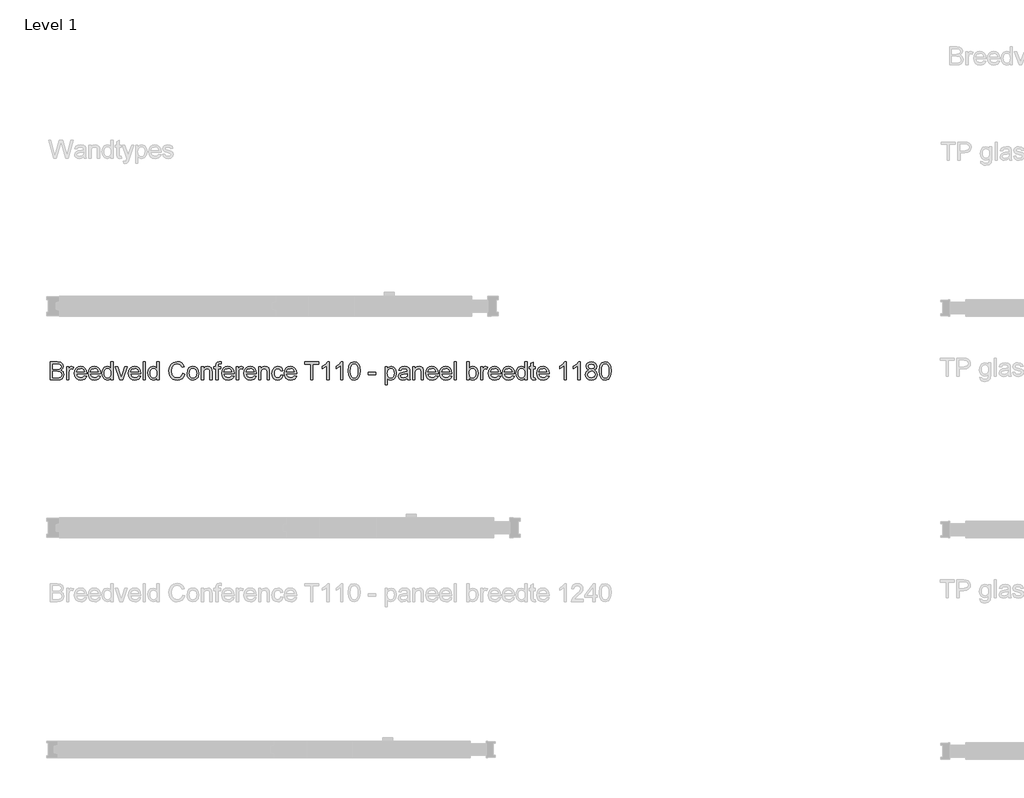
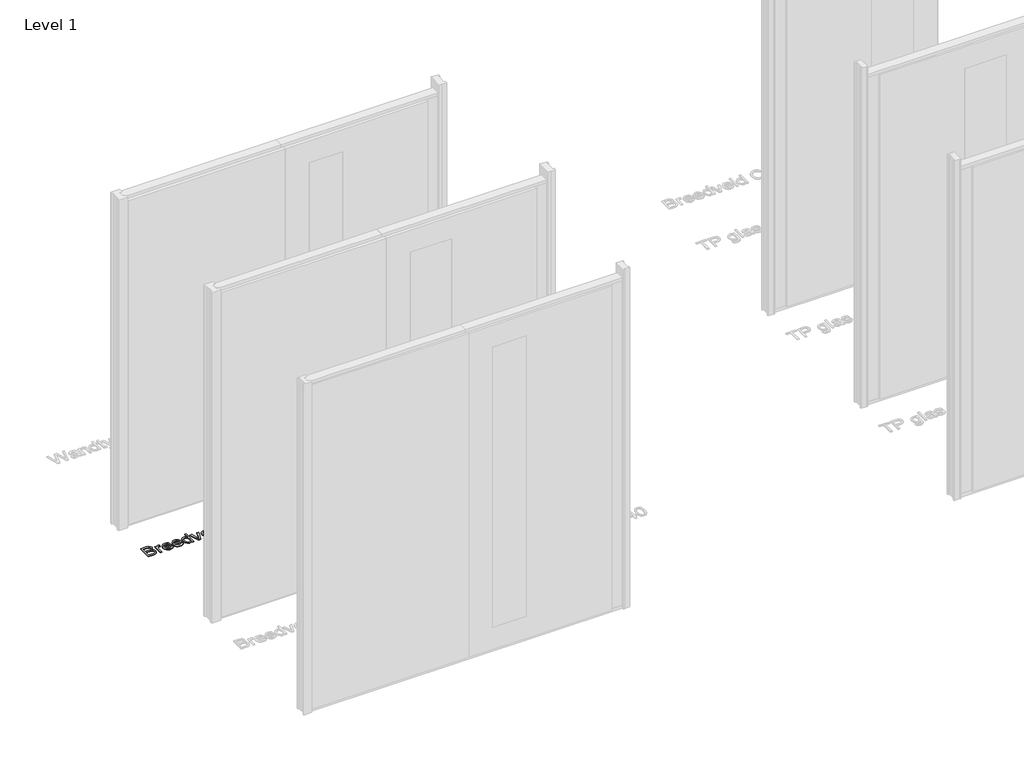
# One storey, part 8 of 17: 1 proxy.
"""IFC4 building model written with IfcOpenShell, lengths in millimetres."""

from ifc_helpers import new_model, si_unit, origin, origin_with_axes, place, context, project, spatial, polyline, outline, extrude, element, save

model = new_model("IFC4")

# Units and contexts
model_context = context("Model", 3, world=origin())
ifc_project = project(units=[si_unit("LENGTHUNIT", "METRE", prefix="MILLI")], contexts=[model_context])

# Site, building, storey
site = spatial("IfcSite", under=ifc_project)
building = spatial("IfcBuilding", under=site)
storey = spatial("IfcBuildingStorey", under=building, Name="Level 1", Elevation=0.0)

# Proxy
placement = place(None, origin())
element("IfcBuildingElementProxy", 1, Name="100 mm", ObjectType="100 mm", at=placement, inside=storey, context=model_context, shape_type="SweptSolid", body=[
    extrude(outline(polyline([(-17380.3580543, 4122.9102169), (-17380.3580543, 4221.3717554), (-17342.7859389, 4221.3717554), (-17324.3844966, 4218.4751207), (-17313.519112, 4209.5688707), (-17309.5888235, 4196.9727169), (-17312.894112, 4185.4703131), (-17322.8820927, 4176.7563707), (-17310.7546889, 4167.5736784), (-17306.5119004, 4152.2611784), (-17309.4085351, 4139.0280054), (-17316.5840158, 4129.6049284), (-17327.2931504, 4124.6049284), (-17343.0744004, 4122.9102169), (-17380.3580543, 4122.9102169)]), holes=[polyline([(-17368.050362, 4135.2179092), (-17342.8099774, 4135.2179092), (-17333.675362, 4135.6986784), (-17325.9469966, 4138.3789669), (-17320.8268043, 4143.8477169), (-17318.8195927, 4152.1409861), (-17321.175362, 4161.7082938), (-17328.8075735, 4167.4174284), (-17344.0119004, 4169.0640631), (-17368.050362, 4169.0640631), (-17368.050362, 4135.2179092)]), polyline([(-17368.050362, 4181.3717554), (-17345.5744004, 4181.3717554), (-17332.4494004, 4182.4294477), (-17324.5527658, 4186.9847361), (-17321.8965158, 4195.0015631), (-17324.3724774, 4203.0304092), (-17331.4638235, 4207.7780054), (-17347.2811312, 4209.0640631), (-17368.050362, 4209.0640631), (-17368.050362, 4181.3717554)])]), origin_with_axes(), (0.0, 0.0, 1.0), 5.0),
    extrude(outline(polyline([(-17291.1272851, 4122.9102169), (-17291.1272851, 4195.2179092), (-17280.3580543, 4195.2179092), (-17280.3580543, 4184.5207938), (-17272.7138235, 4194.3765631), (-17265.0215158, 4196.7563707), (-17252.6657466, 4192.9582938), (-17256.7763235, 4181.92464), (-17265.4301697, 4184.4486784), (-17272.3893043, 4182.0207938), (-17276.8244004, 4175.2900246), (-17278.8195927, 4160.9150246), (-17278.8195927, 4122.9102169), (-17291.1272851, 4122.9102169)])), origin_with_axes(), (0.0, 0.0, 1.0), 5.0),
    extrude(outline(polyline([(-17194.3484389, 4144.4486784), (-17182.2811312, 4142.9102169), (-17186.6290879, 4133.8176688), (-17193.5671889, 4127.0207938), (-17202.9391841, 4122.784015), (-17214.5888235, 4121.3717554), (-17229.0299293, 4123.8086544), (-17240.1417081, 4131.1193515), (-17247.2270447, 4142.8290871), (-17249.5888235, 4158.4631015), (-17247.2030062, 4174.6229573), (-17240.0455543, 4186.7082938), (-17229.0840158, 4194.2443515), (-17215.2859389, 4196.7563707), (-17201.9175495, 4194.2503611), (-17191.2354581, 4186.7323323), (-17184.2312514, 4174.6710342), (-17181.8965158, 4158.5352169), (-17181.9686312, 4155.2179092), (-17237.2811312, 4155.2179092), (-17235.1507226, 4146.0051688), (-17230.2018043, 4139.2323323), (-17214.3484389, 4133.6794477), (-17202.2811312, 4136.2515631), (-17194.3484389, 4144.4486784)]), holes=[polyline([(-17237.2811312, 4167.5256015), (-17194.2042081, 4167.5256015), (-17199.1320927, 4178.6794477), (-17206.3075735, 4183.0063707), (-17215.3340158, 4184.4486784), (-17230.4902658, 4179.8453131), (-17237.2811312, 4167.5256015)])]), origin_with_axes(), (0.0, 0.0, 1.0), 5.0),
    extrude(outline(polyline([(-17118.9638235, 4144.4486784), (-17106.8965158, 4142.9102169), (-17111.2444726, 4133.8176688), (-17118.1825735, 4127.0207938), (-17127.5545687, 4122.784015), (-17139.2042081, 4121.3717554), (-17153.6453139, 4123.8086544), (-17164.7570927, 4131.1193515), (-17171.8424293, 4142.8290871), (-17174.2042081, 4158.4631015), (-17171.8183908, 4174.6229573), (-17164.6609389, 4186.7082938), (-17153.6994004, 4194.2443515), (-17139.9013235, 4196.7563707), (-17126.5329341, 4194.2503611), (-17115.8508427, 4186.7323323), (-17108.846636, 4174.6710342), (-17106.5119004, 4158.5352169), (-17106.5840158, 4155.2179092), (-17161.8965158, 4155.2179092), (-17159.7661072, 4146.0051688), (-17154.8171889, 4139.2323323), (-17138.9638235, 4133.6794477), (-17126.8965158, 4136.2515631), (-17118.9638235, 4144.4486784)]), holes=[polyline([(-17161.8965158, 4167.5256015), (-17118.8195927, 4167.5256015), (-17123.7474774, 4178.6794477), (-17130.9229581, 4183.0063707), (-17139.9494004, 4184.4486784), (-17155.1056504, 4179.8453131), (-17161.8965158, 4167.5256015)])]), origin_with_axes(), (0.0, 0.0, 1.0), 5.0),
    extrude(outline(polyline([(-17049.5888235, 4122.9102169), (-17049.5888235, 4134.5207938), (-17057.7318524, 4124.659015), (-17068.987862, 4121.3717554), (-17084.2282466, 4126.1313707), (-17094.9974774, 4139.4126207), (-17098.8195927, 4158.9919477), (-17095.2979581, 4178.5832938), (-17084.7450735, 4192.0688707), (-17069.0359389, 4196.7563707), (-17057.6897851, 4193.4030054), (-17049.5888235, 4184.6890631), (-17049.5888235, 4221.3717554), (-17037.2811312, 4221.3717554), (-17037.2811312, 4122.9102169), (-17049.5888235, 4122.9102169)]), holes=[polyline([(-17086.5119004, 4159.0400246), (-17085.1236793, 4147.9072121), (-17080.9590158, 4139.9895438), (-17074.9073331, 4135.2569717), (-17067.8580543, 4133.6794477), (-17060.8117802, 4135.1848563), (-17054.9133427, 4139.7010823), (-17050.9199533, 4147.3122602), (-17049.5888235, 4158.1025246), (-17050.9439918, 4169.8993996), (-17055.0094966, 4178.0784861), (-17061.0581745, 4182.8561304), (-17068.362862, 4184.4486784), (-17075.4842562, 4182.9192313), (-17081.3195927, 4178.33089), (-17085.2138235, 4170.4492794), (-17086.5119004, 4159.0400246)])]), origin_with_axes(), (0.0, 0.0, 1.0), 5.0),
    extrude(outline(polyline([(-17001.0792081, 4122.9102169), (-17026.5119004, 4195.2179092), (-17013.4830543, 4195.2179092), (-16998.0744004, 4151.9006015), (-16993.4349774, 4137.3332938), (-16988.8917081, 4151.0832938), (-16973.3869004, 4195.2179092), (-16960.3580543, 4195.2179092), (-16985.4782466, 4122.9102169), (-17001.0792081, 4122.9102169)])), origin_with_axes(), (0.0, 0.0, 1.0), 5.0),
    extrude(outline(polyline([(-16898.9638235, 4144.4486784), (-16886.8965158, 4142.9102169), (-16891.2444726, 4133.8176688), (-16898.1825735, 4127.0207938), (-16907.5545687, 4122.784015), (-16919.2042081, 4121.3717554), (-16933.6453139, 4123.8086544), (-16944.7570927, 4131.1193515), (-16951.8424293, 4142.8290871), (-16954.2042081, 4158.4631015), (-16951.8183908, 4174.6229573), (-16944.6609389, 4186.7082938), (-16933.6994004, 4194.2443515), (-16919.9013235, 4196.7563707), (-16906.5329341, 4194.2503611), (-16895.8508427, 4186.7323323), (-16888.846636, 4174.6710342), (-16886.5119004, 4158.5352169), (-16886.5840158, 4155.2179092), (-16941.8965158, 4155.2179092), (-16939.7661072, 4146.0051688), (-16934.8171889, 4139.2323323), (-16918.9638235, 4133.6794477), (-16906.8965158, 4136.2515631), (-16898.9638235, 4144.4486784)]), holes=[polyline([(-16941.8965158, 4167.5256015), (-16898.8195927, 4167.5256015), (-16903.7474774, 4178.6794477), (-16910.9229581, 4183.0063707), (-16919.9494004, 4184.4486784), (-16935.1056504, 4179.8453131), (-16941.8965158, 4167.5256015)])]), origin_with_axes(), (0.0, 0.0, 1.0), 5.0),
    extrude(outline(polyline([(-16874.2042081, 4122.9102169), (-16874.2042081, 4221.3717554), (-16861.8965158, 4221.3717554), (-16861.8965158, 4122.9102169), (-16874.2042081, 4122.9102169)])), origin_with_axes(), (0.0, 0.0, 1.0), 5.0),
    extrude(outline(polyline([(-16798.8195927, 4122.9102169), (-16798.8195927, 4134.5207938), (-16806.9626216, 4124.659015), (-16818.2186312, 4121.3717554), (-16833.4590158, 4126.1313707), (-16844.2282466, 4139.4126207), (-16848.050362, 4158.9919477), (-16844.5287274, 4178.5832938), (-16833.9758427, 4192.0688707), (-16818.2667081, 4196.7563707), (-16806.9205543, 4193.4030054), (-16798.8195927, 4184.6890631), (-16798.8195927, 4221.3717554), (-16786.5119004, 4221.3717554), (-16786.5119004, 4122.9102169), (-16798.8195927, 4122.9102169)]), holes=[polyline([(-16835.7426697, 4159.0400246), (-16834.3544485, 4147.9072121), (-16830.1897851, 4139.9895438), (-16824.1381024, 4135.2569717), (-16817.0888235, 4133.6794477), (-16810.0425495, 4135.1848563), (-16804.144112, 4139.7010823), (-16800.1507226, 4147.3122602), (-16798.8195927, 4158.1025246), (-16800.174761, 4169.8993996), (-16804.2402658, 4178.0784861), (-16810.2889437, 4182.8561304), (-16817.5936312, 4184.4486784), (-16824.7150254, 4182.9192313), (-16830.550362, 4178.33089), (-16834.4445927, 4170.4492794), (-16835.7426697, 4159.0400246)])]), origin_with_axes(), (0.0, 0.0, 1.0), 5.0),
    extrude(outline(polyline([(-16658.8195927, 4157.9102169), (-16646.5119004, 4154.73714), (-16652.190987, 4140.3951929), (-16661.1032466, 4129.9174284), (-16672.8099774, 4123.5081736), (-16686.8724774, 4121.3717554), (-16701.1483187, 4122.9883419), (-16712.4854581, 4127.8381015), (-16721.175362, 4135.752765), (-16727.5094966, 4146.5640631), (-16732.6657466, 4172.8861784), (-16731.2084149, 4187.2431496), (-16726.8364197, 4199.6409861), (-16719.7781264, 4209.6860582), (-16710.2619004, 4216.9847361), (-16686.6080543, 4222.9102169), (-16673.1134629, 4220.9931496), (-16661.956612, 4215.2419477), (-16653.4860591, 4206.0111784), (-16648.050362, 4193.6554092), (-16660.3580543, 4190.7227169), (-16670.4542081, 4205.8549284), (-16687.0888235, 4210.6025246), (-16706.3436312, 4205.3381015), (-16717.2210351, 4191.2034861), (-16720.3580543, 4172.9102169), (-16716.644112, 4151.7082938), (-16705.081612, 4138.1626207), (-16688.0984389, 4133.6794477), (-16677.8250014, 4135.20589), (-16669.2643043, 4139.7852169), (-16662.8009629, 4147.3693515), (-16658.8195927, 4157.9102169)])), origin_with_axes(), (0.0, 0.0, 1.0), 5.0),
    extrude(outline(polyline([(-16634.2042081, 4159.0640631), (-16631.5419485, 4176.4979573), (-16623.5551697, 4188.7515631), (-16613.6873812, 4194.7551688), (-16601.8724774, 4196.7563707), (-16588.9427899, 4194.3194717), (-16578.6152658, 4187.0087746), (-16571.8454341, 4175.4012025), (-16569.5888235, 4160.0736784), (-16573.5792081, 4138.17464), (-16585.2018043, 4125.7828131), (-16601.8724774, 4121.3717554), (-16614.9584149, 4123.79964), (-16625.2739197, 4131.0832938), (-16631.971636, 4142.9342554), (-16634.2042081, 4159.0640631)]), holes=[polyline([(-16621.8965158, 4159.0881015), (-16620.472237, 4147.9492794), (-16616.1994004, 4140.0135823), (-16609.769112, 4135.2629813), (-16601.8724774, 4133.6794477), (-16594.0119004, 4135.2719957), (-16587.5936312, 4140.04964), (-16583.3207947, 4148.0905054), (-16581.8965158, 4159.4727169), (-16583.3298091, 4170.2870198), (-16587.6296889, 4178.1145438), (-16594.0569726, 4182.8651448), (-16601.8724774, 4184.4486784), (-16609.769112, 4182.8711544), (-16616.1994004, 4178.1385823), (-16620.472237, 4170.220914), (-16621.8965158, 4159.0881015)])]), origin_with_axes(), (0.0, 0.0, 1.0), 5.0),
    extrude(outline(polyline([(-16555.7426697, 4122.9102169), (-16555.7426697, 4195.2179092), (-16543.4349774, 4195.2179092), (-16543.4349774, 4185.1217554), (-16534.0239197, 4193.8477169), (-16521.175362, 4196.7563707), (-16509.5527658, 4194.4126207), (-16501.6200735, 4188.2587746), (-16497.9301697, 4179.2082938), (-16497.2811312, 4167.3092554), (-16497.2811312, 4122.9102169), (-16509.5888235, 4122.9102169), (-16509.5888235, 4165.6506015), (-16511.0070927, 4176.5400246), (-16516.019112, 4182.2972361), (-16524.4686312, 4184.4486784), (-16537.8219966, 4179.6169477), (-16542.0317322, 4172.6157457), (-16543.4349774, 4161.2756015), (-16543.4349774, 4122.9102169), (-16555.7426697, 4122.9102169)])), origin_with_axes(), (0.0, 0.0, 1.0), 5.0),
    extrude(outline(polyline([(-16477.2811312, 4122.9102169), (-16477.2811312, 4182.9102169), (-16488.050362, 4182.9102169), (-16488.050362, 4195.2179092), (-16477.2811312, 4195.2179092), (-16477.2811312, 4202.5015631), (-16475.9830543, 4212.7659861), (-16469.6849774, 4220.0977169), (-16457.2811312, 4222.9102169), (-16446.0551697, 4221.5640631), (-16447.8580543, 4210.0256015), (-16454.9494004, 4210.6025246), (-16462.7018043, 4208.5592554), (-16464.9734389, 4200.9390631), (-16464.9734389, 4195.2179092), (-16451.1272851, 4195.2179092), (-16451.1272851, 4182.9102169), (-16464.9734389, 4182.9102169), (-16464.9734389, 4122.9102169), (-16477.2811312, 4122.9102169)])), origin_with_axes(), (0.0, 0.0, 1.0), 5.0),
    extrude(outline(polyline([(-16389.7330543, 4144.4486784), (-16377.6657466, 4142.9102169), (-16382.0137033, 4133.8176688), (-16388.9518043, 4127.0207938), (-16398.3237995, 4122.784015), (-16409.9734389, 4121.3717554), (-16424.4145447, 4123.8086544), (-16435.5263235, 4131.1193515), (-16442.6116601, 4142.8290871), (-16444.9734389, 4158.4631015), (-16442.5876216, 4174.6229573), (-16435.4301697, 4186.7082938), (-16424.4686312, 4194.2443515), (-16410.6705543, 4196.7563707), (-16397.3021649, 4194.2503611), (-16386.6200735, 4186.7323323), (-16379.6158668, 4174.6710342), (-16377.2811312, 4158.5352169), (-16377.3532466, 4155.2179092), (-16432.6657466, 4155.2179092), (-16430.5353379, 4146.0051688), (-16425.5864197, 4139.2323323), (-16409.7330543, 4133.6794477), (-16397.6657466, 4136.2515631), (-16389.7330543, 4144.4486784)]), holes=[polyline([(-16432.6657466, 4167.5256015), (-16389.5888235, 4167.5256015), (-16394.5167081, 4178.6794477), (-16401.6921889, 4183.0063707), (-16410.7186312, 4184.4486784), (-16425.8748812, 4179.8453131), (-16432.6657466, 4167.5256015)])]), origin_with_axes(), (0.0, 0.0, 1.0), 5.0),
    extrude(outline(polyline([(-16364.9734389, 4122.9102169), (-16364.9734389, 4195.2179092), (-16354.2042081, 4195.2179092), (-16354.2042081, 4184.5207938), (-16346.5599774, 4194.3765631), (-16338.8676697, 4196.7563707), (-16326.5119004, 4192.9582938), (-16330.6224774, 4181.92464), (-16339.2763235, 4184.4486784), (-16346.2354581, 4182.0207938), (-16350.6705543, 4175.2900246), (-16352.6657466, 4160.9150246), (-16352.6657466, 4122.9102169), (-16364.9734389, 4122.9102169)])), origin_with_axes(), (0.0, 0.0, 1.0), 5.0),
    extrude(outline(polyline([(-16268.1945927, 4144.4486784), (-16256.1272851, 4142.9102169), (-16260.4752418, 4133.8176688), (-16267.4133427, 4127.0207938), (-16276.7853379, 4122.784015), (-16288.4349774, 4121.3717554), (-16302.8760831, 4123.8086544), (-16313.987862, 4131.1193515), (-16321.0731985, 4142.8290871), (-16323.4349774, 4158.4631015), (-16321.0491601, 4174.6229573), (-16313.8917081, 4186.7082938), (-16302.9301697, 4194.2443515), (-16289.1320927, 4196.7563707), (-16275.7637033, 4194.2503611), (-16265.081612, 4186.7323323), (-16258.0774052, 4174.6710342), (-16255.7426697, 4158.5352169), (-16255.8147851, 4155.2179092), (-16311.1272851, 4155.2179092), (-16308.9968764, 4146.0051688), (-16304.0479581, 4139.2323323), (-16288.1945927, 4133.6794477), (-16276.1272851, 4136.2515631), (-16268.1945927, 4144.4486784)]), holes=[polyline([(-16311.1272851, 4167.5256015), (-16268.050362, 4167.5256015), (-16272.9782466, 4178.6794477), (-16280.1537274, 4183.0063707), (-16289.1801697, 4184.4486784), (-16304.3364197, 4179.8453131), (-16311.1272851, 4167.5256015)])]), origin_with_axes(), (0.0, 0.0, 1.0), 5.0),
    extrude(outline(polyline([(-16243.4349774, 4122.9102169), (-16243.4349774, 4195.2179092), (-16231.1272851, 4195.2179092), (-16231.1272851, 4185.1217554), (-16221.7162274, 4193.8477169), (-16208.8676697, 4196.7563707), (-16197.2450735, 4194.4126207), (-16189.3123812, 4188.2587746), (-16185.6224774, 4179.2082938), (-16184.9734389, 4167.3092554), (-16184.9734389, 4122.9102169), (-16197.2811312, 4122.9102169), (-16197.2811312, 4165.6506015), (-16198.6994004, 4176.5400246), (-16203.7114197, 4182.2972361), (-16212.1609389, 4184.4486784), (-16225.5143043, 4179.6169477), (-16229.7240399, 4172.6157457), (-16231.1272851, 4161.2756015), (-16231.1272851, 4122.9102169), (-16243.4349774, 4122.9102169)])), origin_with_axes(), (0.0, 0.0, 1.0), 5.0),
    extrude(outline(polyline([(-16121.8965158, 4149.0640631), (-16109.5888235, 4147.5256015), (-16113.0203139, 4136.5790871), (-16119.4686312, 4128.3068515), (-16128.3268043, 4123.1055294), (-16138.987862, 4121.3717554), (-16152.0798091, 4123.7906256), (-16162.3171889, 4131.0472361), (-16168.924761, 4142.8230775), (-16171.1272851, 4158.79964), (-16167.3652658, 4179.2443515), (-16155.8989197, 4192.3813707), (-16139.1561312, 4196.7563707), (-16128.7564918, 4195.2539669), (-16120.4421889, 4190.7467554), (-16114.4776456, 4183.4751207), (-16111.1272851, 4173.6794477), (-16123.4349774, 4172.1409861), (-16129.144112, 4181.3597361), (-16139.0599774, 4184.4486784), (-16147.0137033, 4182.9282457), (-16153.3268043, 4178.3669477), (-16157.4463956, 4170.51839), (-16158.8195927, 4159.1361784), (-16157.4764437, 4147.6007217), (-16153.4469966, 4139.7251207), (-16147.2480783, 4135.1908659), (-16139.3965158, 4133.6794477), (-16127.7979581, 4137.4534861), (-16121.8965158, 4149.0640631)])), origin_with_axes(), (0.0, 0.0, 1.0), 5.0),
    extrude(outline(polyline([(-16048.1945927, 4144.4486784), (-16036.1272851, 4142.9102169), (-16040.4752418, 4133.8176688), (-16047.4133427, 4127.0207938), (-16056.7853379, 4122.784015), (-16068.4349774, 4121.3717554), (-16082.8760831, 4123.8086544), (-16093.987862, 4131.1193515), (-16101.0731985, 4142.8290871), (-16103.4349774, 4158.4631015), (-16101.0491601, 4174.6229573), (-16093.8917081, 4186.7082938), (-16082.9301697, 4194.2443515), (-16069.1320927, 4196.7563707), (-16055.7637033, 4194.2503611), (-16045.081612, 4186.7323323), (-16038.0774052, 4174.6710342), (-16035.7426697, 4158.5352169), (-16035.8147851, 4155.2179092), (-16091.1272851, 4155.2179092), (-16088.9968764, 4146.0051688), (-16084.0479581, 4139.2323323), (-16068.1945927, 4133.6794477), (-16056.1272851, 4136.2515631), (-16048.1945927, 4144.4486784)]), holes=[polyline([(-16091.1272851, 4167.5256015), (-16048.050362, 4167.5256015), (-16052.9782466, 4178.6794477), (-16060.1537274, 4183.0063707), (-16069.1801697, 4184.4486784), (-16084.3364197, 4179.8453131), (-16091.1272851, 4167.5256015)])]), origin_with_axes(), (0.0, 0.0, 1.0), 5.0),
    extrude(outline(polyline([(-15958.8195927, 4122.9102169), (-15958.8195927, 4209.0640631), (-15991.1272851, 4209.0640631), (-15991.1272851, 4221.3717554), (-15914.2042081, 4221.3717554), (-15914.2042081, 4209.0640631), (-15946.5119004, 4209.0640631), (-15946.5119004, 4122.9102169), (-15958.8195927, 4122.9102169)])), origin_with_axes(), (0.0, 0.0, 1.0), 5.0),
    extrude(outline(polyline([(-15858.8195927, 4122.9102169), (-15871.1272851, 4122.9102169), (-15871.1272851, 4199.6409861), (-15882.7859389, 4191.3356977), (-15895.7426697, 4185.1217554), (-15895.7426697, 4196.7563707), (-15877.7018043, 4208.2707938), (-15866.7522851, 4221.3717554), (-15858.8195927, 4221.3717554), (-15858.8195927, 4122.9102169)])), origin_with_axes(), (0.0, 0.0, 1.0), 5.0),
    extrude(outline(polyline([(-15783.4349774, 4122.9102169), (-15795.7426697, 4122.9102169), (-15795.7426697, 4199.6409861), (-15807.4013235, 4191.3356977), (-15820.3580543, 4185.1217554), (-15820.3580543, 4196.7563707), (-15802.3171889, 4208.2707938), (-15791.3676697, 4221.3717554), (-15783.4349774, 4221.3717554), (-15783.4349774, 4122.9102169)])), origin_with_axes(), (0.0, 0.0, 1.0), 5.0),
    extrude(outline(polyline([(-15754.2042081, 4171.3477169), (-15750.5864197, 4199.6770438), (-15739.8412274, 4216.0111784), (-15721.8965158, 4221.3717554), (-15707.5215158, 4218.1986784), (-15697.5936312, 4209.0520438), (-15691.8244004, 4194.4847361), (-15689.5888235, 4171.3477169), (-15693.1705543, 4143.1385823), (-15703.8796889, 4126.76839), (-15721.8965158, 4121.3717554), (-15734.6849774, 4123.7155054), (-15744.3965158, 4130.7467554), (-15751.7522851, 4147.3993996), (-15754.2042081, 4171.3477169)]), holes=[polyline([(-15741.8965158, 4171.3717554), (-15740.4542081, 4152.0117794), (-15736.1272851, 4140.8068515), (-15729.6849774, 4135.4612986), (-15721.8965158, 4133.6794477), (-15714.1080543, 4135.4673082), (-15707.6657466, 4140.83089), (-15703.3388235, 4152.0418275), (-15701.8965158, 4171.3717554), (-15703.2907466, 4190.2960342), (-15707.4734389, 4201.5881015), (-15713.9037274, 4207.1950727), (-15722.0407466, 4209.0640631), (-15729.7450735, 4207.4174284), (-15735.9349774, 4202.4775246), (-15740.4061312, 4190.4823323), (-15741.8965158, 4171.3717554)])]), origin_with_axes(), (0.0, 0.0, 1.0), 5.0),
    extrude(outline(polyline([(-15643.4349774, 4152.1409861), (-15643.4349774, 4164.4486784), (-15604.9734389, 4164.4486784), (-15604.9734389, 4152.1409861), (-15643.4349774, 4152.1409861)])), origin_with_axes(), (0.0, 0.0, 1.0), 5.0),
    extrude(outline(polyline([(-15552.6657466, 4095.2179092), (-15552.6657466, 4195.2179092), (-15540.3580543, 4195.2179092), (-15540.3580543, 4183.1506015), (-15531.8484389, 4193.3549284), (-15520.3580543, 4196.7563707), (-15504.7570927, 4191.9967554), (-15494.5647851, 4178.5832938), (-15491.1272851, 4159.6169477), (-15495.0094966, 4139.6770438), (-15506.2835351, 4126.0953131), (-15521.8484389, 4121.3717554), (-15532.5575735, 4124.5328131), (-15540.3580543, 4132.5256015), (-15540.3580543, 4095.2179092), (-15552.6657466, 4095.2179092)]), holes=[polyline([(-15540.3580543, 4158.48714), (-15539.0269245, 4147.4534861), (-15535.0335351, 4139.73714), (-15529.1411072, 4135.1938707), (-15522.112862, 4133.6794477), (-15514.9704341, 4135.2479573), (-15508.9277658, 4139.9534861), (-15504.8081745, 4147.9522842), (-15503.4349774, 4159.4006015), (-15504.7751216, 4170.3741592), (-15508.7955543, 4178.1986784), (-15514.6789677, 4182.8861784), (-15521.6080543, 4184.4486784), (-15528.5641841, 4182.7870198), (-15534.6729581, 4177.8020438), (-15538.9367802, 4169.6500006), (-15540.3580543, 4158.48714)])]), origin_with_axes(), (0.0, 0.0, 1.0), 5.0),
    extrude(outline(polyline([(-15431.1272851, 4132.1409861), (-15443.0623812, 4123.79964), (-15456.2474774, 4121.3717554), (-15466.5329341, 4122.8320919), (-15474.1200735, 4127.2131015), (-15478.7985591, 4133.8657457), (-15480.3580543, 4142.1409861), (-15478.0022851, 4151.8765631), (-15471.8123812, 4158.9438707), (-15463.1945927, 4162.9823323), (-15452.5455543, 4164.8332938), (-15431.1994004, 4169.0640631), (-15431.1272851, 4171.8044477), (-15434.5167081, 4180.8909861), (-15448.1224774, 4184.4486784), (-15460.5744004, 4182.08089), (-15466.5119004, 4173.6794477), (-15478.8195927, 4175.2179092), (-15473.4950735, 4187.23714), (-15462.7739197, 4194.2804092), (-15446.5359389, 4196.7563707), (-15431.6200735, 4194.5688707), (-15423.1945927, 4189.0760823), (-15419.4205543, 4180.7227169), (-15418.8195927, 4169.9534861), (-15418.8195927, 4154.6409861), (-15418.1945927, 4133.2587746), (-15415.7426697, 4122.9102169), (-15428.050362, 4122.9102169), (-15431.1272851, 4132.1409861)]), holes=[polyline([(-15431.1272851, 4156.7563707), (-15450.9830543, 4152.9823323), (-15461.5719966, 4150.98714), (-15466.3676697, 4147.7419477), (-15468.050362, 4143.0063707), (-15464.3844966, 4136.3477169), (-15453.6272851, 4133.6794477), (-15441.175362, 4136.6241592), (-15433.1465158, 4143.7515631), (-15431.1994004, 4153.2707938), (-15431.1272851, 4156.7563707)])]), origin_with_axes(), (0.0, 0.0, 1.0), 5.0),
    extrude(outline(polyline([(-15401.8965158, 4122.9102169), (-15401.8965158, 4195.2179092), (-15389.5888235, 4195.2179092), (-15389.5888235, 4185.1217554), (-15380.1777658, 4193.8477169), (-15367.3292081, 4196.7563707), (-15355.706612, 4194.4126207), (-15347.7739197, 4188.2587746), (-15344.0840158, 4179.2082938), (-15343.4349774, 4167.3092554), (-15343.4349774, 4122.9102169), (-15355.7426697, 4122.9102169), (-15355.7426697, 4165.6506015), (-15357.1609389, 4176.5400246), (-15362.1729581, 4182.2972361), (-15370.6224774, 4184.4486784), (-15383.9758427, 4179.6169477), (-15388.1855783, 4172.6157457), (-15389.5888235, 4161.2756015), (-15389.5888235, 4122.9102169), (-15401.8965158, 4122.9102169)])), origin_with_axes(), (0.0, 0.0, 1.0), 5.0),
    extrude(outline(polyline([(-15275.8869004, 4144.4486784), (-15263.8195927, 4142.9102169), (-15268.1675495, 4133.8176688), (-15275.1056504, 4127.0207938), (-15284.4776456, 4122.784015), (-15296.1272851, 4121.3717554), (-15310.5683908, 4123.8086544), (-15321.6801697, 4131.1193515), (-15328.7655062, 4142.8290871), (-15331.1272851, 4158.4631015), (-15328.7414677, 4174.6229573), (-15321.5840158, 4186.7082938), (-15310.6224774, 4194.2443515), (-15296.8244004, 4196.7563707), (-15283.456011, 4194.2503611), (-15272.7739197, 4186.7323323), (-15265.7697129, 4174.6710342), (-15263.4349774, 4158.5352169), (-15263.5070927, 4155.2179092), (-15318.8195927, 4155.2179092), (-15316.6891841, 4146.0051688), (-15311.7402658, 4139.2323323), (-15295.8869004, 4133.6794477), (-15283.8195927, 4136.2515631), (-15275.8869004, 4144.4486784)]), holes=[polyline([(-15318.8195927, 4167.5256015), (-15275.7426697, 4167.5256015), (-15280.6705543, 4178.6794477), (-15287.8460351, 4183.0063707), (-15296.8724774, 4184.4486784), (-15312.0287274, 4179.8453131), (-15318.8195927, 4167.5256015)])]), origin_with_axes(), (0.0, 0.0, 1.0), 5.0),
    extrude(outline(polyline([(-15200.5022851, 4144.4486784), (-15188.4349774, 4142.9102169), (-15192.7829341, 4133.8176688), (-15199.7210351, 4127.0207938), (-15209.0930302, 4122.784015), (-15220.7426697, 4121.3717554), (-15235.1837754, 4123.8086544), (-15246.2955543, 4131.1193515), (-15253.3808908, 4142.8290871), (-15255.7426697, 4158.4631015), (-15253.3568524, 4174.6229573), (-15246.1994004, 4186.7082938), (-15235.237862, 4194.2443515), (-15221.4397851, 4196.7563707), (-15208.0713956, 4194.2503611), (-15197.3893043, 4186.7323323), (-15190.3850976, 4174.6710342), (-15188.050362, 4158.5352169), (-15188.1224774, 4155.2179092), (-15243.4349774, 4155.2179092), (-15241.3045687, 4146.0051688), (-15236.3556504, 4139.2323323), (-15220.5022851, 4133.6794477), (-15208.4349774, 4136.2515631), (-15200.5022851, 4144.4486784)]), holes=[polyline([(-15243.4349774, 4167.5256015), (-15200.3580543, 4167.5256015), (-15205.2859389, 4178.6794477), (-15212.4614197, 4183.0063707), (-15221.487862, 4184.4486784), (-15236.644112, 4179.8453131), (-15243.4349774, 4167.5256015)])]), origin_with_axes(), (0.0, 0.0, 1.0), 5.0),
    extrude(outline(polyline([(-15175.7426697, 4122.9102169), (-15175.7426697, 4221.3717554), (-15163.4349774, 4221.3717554), (-15163.4349774, 4122.9102169), (-15175.7426697, 4122.9102169)])), origin_with_axes(), (0.0, 0.0, 1.0), 5.0),
    extrude(outline(polyline([(-15094.2042081, 4122.9102169), (-15106.5119004, 4122.9102169), (-15106.5119004, 4221.3717554), (-15094.2042081, 4221.3717554), (-15094.2042081, 4184.8573323), (-15085.5864197, 4193.7816111), (-15074.8772851, 4196.7563707), (-15062.5455543, 4194.0760823), (-15052.9782466, 4186.5400246), (-15047.1008427, 4174.8212746), (-15044.9734389, 4160.1457938), (-15047.1759629, 4143.7155054), (-15053.7835351, 4131.4919477), (-15063.4800495, 4123.9018034), (-15074.9494004, 4121.3717554), (-15085.8929101, 4124.6349765), (-15094.2042081, 4134.42464), (-15094.2042081, 4122.9102169)]), holes=[polyline([(-15094.2042081, 4159.5688707), (-15090.8388235, 4142.3573323), (-15084.3905062, 4135.8489188), (-15076.0070927, 4133.6794477), (-15068.9037274, 4135.2780054), (-15062.8340158, 4140.0736784), (-15058.6693524, 4148.0364188), (-15057.2811312, 4159.1361784), (-15058.612261, 4170.3981977), (-15062.6056504, 4178.2707938), (-15068.4860591, 4182.9042073), (-15075.4782466, 4184.4486784), (-15082.581612, 4182.8501207), (-15088.6513235, 4178.0544477), (-15092.815987, 4170.2359381), (-15094.2042081, 4159.5688707)])]), origin_with_axes(), (0.0, 0.0, 1.0), 5.0),
    extrude(outline(polyline([(-15031.1272851, 4122.9102169), (-15031.1272851, 4195.2179092), (-15020.3580543, 4195.2179092), (-15020.3580543, 4184.5207938), (-15012.7138235, 4194.3765631), (-15005.0215158, 4196.7563707), (-14992.6657466, 4192.9582938), (-14996.7763235, 4181.92464), (-15005.4301697, 4184.4486784), (-15012.3893043, 4182.0207938), (-15016.8244004, 4175.2900246), (-15018.8195927, 4160.9150246), (-15018.8195927, 4122.9102169), (-15031.1272851, 4122.9102169)])), origin_with_axes(), (0.0, 0.0, 1.0), 5.0),
    extrude(outline(polyline([(-14934.3484389, 4144.4486784), (-14922.2811312, 4142.9102169), (-14926.6290879, 4133.8176688), (-14933.5671889, 4127.0207938), (-14942.9391841, 4122.784015), (-14954.5888235, 4121.3717554), (-14969.0299293, 4123.8086544), (-14980.1417081, 4131.1193515), (-14987.2270447, 4142.8290871), (-14989.5888235, 4158.4631015), (-14987.2030062, 4174.6229573), (-14980.0455543, 4186.7082938), (-14969.0840158, 4194.2443515), (-14955.2859389, 4196.7563707), (-14941.9175495, 4194.2503611), (-14931.2354581, 4186.7323323), (-14924.2312514, 4174.6710342), (-14921.8965158, 4158.5352169), (-14921.9686312, 4155.2179092), (-14977.2811312, 4155.2179092), (-14975.1507226, 4146.0051688), (-14970.2018043, 4139.2323323), (-14954.3484389, 4133.6794477), (-14942.2811312, 4136.2515631), (-14934.3484389, 4144.4486784)]), holes=[polyline([(-14977.2811312, 4167.5256015), (-14934.2042081, 4167.5256015), (-14939.1320927, 4178.6794477), (-14946.3075735, 4183.0063707), (-14955.3340158, 4184.4486784), (-14970.4902658, 4179.8453131), (-14977.2811312, 4167.5256015)])]), origin_with_axes(), (0.0, 0.0, 1.0), 5.0),
    extrude(outline(polyline([(-14858.9638235, 4144.4486784), (-14846.8965158, 4142.9102169), (-14851.2444726, 4133.8176688), (-14858.1825735, 4127.0207938), (-14867.5545687, 4122.784015), (-14879.2042081, 4121.3717554), (-14893.6453139, 4123.8086544), (-14904.7570927, 4131.1193515), (-14911.8424293, 4142.8290871), (-14914.2042081, 4158.4631015), (-14911.8183908, 4174.6229573), (-14904.6609389, 4186.7082938), (-14893.6994004, 4194.2443515), (-14879.9013235, 4196.7563707), (-14866.5329341, 4194.2503611), (-14855.8508427, 4186.7323323), (-14848.846636, 4174.6710342), (-14846.5119004, 4158.5352169), (-14846.5840158, 4155.2179092), (-14901.8965158, 4155.2179092), (-14899.7661072, 4146.0051688), (-14894.8171889, 4139.2323323), (-14878.9638235, 4133.6794477), (-14866.8965158, 4136.2515631), (-14858.9638235, 4144.4486784)]), holes=[polyline([(-14901.8965158, 4167.5256015), (-14858.8195927, 4167.5256015), (-14863.7474774, 4178.6794477), (-14870.9229581, 4183.0063707), (-14879.9494004, 4184.4486784), (-14895.1056504, 4179.8453131), (-14901.8965158, 4167.5256015)])]), origin_with_axes(), (0.0, 0.0, 1.0), 5.0),
    extrude(outline(polyline([(-14789.5888235, 4122.9102169), (-14789.5888235, 4134.5207938), (-14797.7318524, 4124.659015), (-14808.987862, 4121.3717554), (-14824.2282466, 4126.1313707), (-14834.9974774, 4139.4126207), (-14838.8195927, 4158.9919477), (-14835.2979581, 4178.5832938), (-14824.7450735, 4192.0688707), (-14809.0359389, 4196.7563707), (-14797.6897851, 4193.4030054), (-14789.5888235, 4184.6890631), (-14789.5888235, 4221.3717554), (-14777.2811312, 4221.3717554), (-14777.2811312, 4122.9102169), (-14789.5888235, 4122.9102169)]), holes=[polyline([(-14826.5119004, 4159.0400246), (-14825.1236793, 4147.9072121), (-14820.9590158, 4139.9895438), (-14814.9073331, 4135.2569717), (-14807.8580543, 4133.6794477), (-14800.8117802, 4135.1848563), (-14794.9133427, 4139.7010823), (-14790.9199533, 4147.3122602), (-14789.5888235, 4158.1025246), (-14790.9439918, 4169.8993996), (-14795.0094966, 4178.0784861), (-14801.0581745, 4182.8561304), (-14808.362862, 4184.4486784), (-14815.4842562, 4182.9192313), (-14821.3195927, 4178.33089), (-14825.2138235, 4170.4492794), (-14826.5119004, 4159.0400246)])]), origin_with_axes(), (0.0, 0.0, 1.0), 5.0),
    extrude(outline(polyline([(-14732.6657466, 4133.17464), (-14731.1272851, 4122.54964), (-14740.3340158, 4121.3717554), (-14750.6465158, 4123.4150246), (-14755.7907466, 4128.7756015), (-14757.2811312, 4142.7419477), (-14757.2811312, 4182.9102169), (-14766.5119004, 4182.9102169), (-14766.5119004, 4195.2179092), (-14757.2811312, 4195.2179092), (-14757.2811312, 4212.7900246), (-14744.9734389, 4220.0256015), (-14744.9734389, 4195.2179092), (-14732.6657466, 4195.2179092), (-14732.6657466, 4182.9102169), (-14744.9734389, 4182.9102169), (-14744.9734389, 4143.1025246), (-14744.3244004, 4136.7563707), (-14742.2210351, 4134.5087746), (-14738.0263235, 4133.6794477), (-14732.6657466, 4133.17464)])), origin_with_axes(), (0.0, 0.0, 1.0), 5.0),
    extrude(outline(polyline([(-14669.7330543, 4144.4486784), (-14657.6657466, 4142.9102169), (-14662.0137033, 4133.8176688), (-14668.9518043, 4127.0207938), (-14678.3237995, 4122.784015), (-14689.9734389, 4121.3717554), (-14704.4145447, 4123.8086544), (-14715.5263235, 4131.1193515), (-14722.6116601, 4142.8290871), (-14724.9734389, 4158.4631015), (-14722.5876216, 4174.6229573), (-14715.4301697, 4186.7082938), (-14704.4686312, 4194.2443515), (-14690.6705543, 4196.7563707), (-14677.3021649, 4194.2503611), (-14666.6200735, 4186.7323323), (-14659.6158668, 4174.6710342), (-14657.2811312, 4158.5352169), (-14657.3532466, 4155.2179092), (-14712.6657466, 4155.2179092), (-14710.5353379, 4146.0051688), (-14705.5864197, 4139.2323323), (-14689.7330543, 4133.6794477), (-14677.6657466, 4136.2515631), (-14669.7330543, 4144.4486784)]), holes=[polyline([(-14712.6657466, 4167.5256015), (-14669.5888235, 4167.5256015), (-14674.5167081, 4178.6794477), (-14681.6921889, 4183.0063707), (-14690.7186312, 4184.4486784), (-14705.8748812, 4179.8453131), (-14712.6657466, 4167.5256015)])]), origin_with_axes(), (0.0, 0.0, 1.0), 5.0),
    extrude(outline(polyline([(-14563.4349774, 4122.9102169), (-14575.7426697, 4122.9102169), (-14575.7426697, 4199.6409861), (-14587.4013235, 4191.3356977), (-14600.3580543, 4185.1217554), (-14600.3580543, 4196.7563707), (-14582.3171889, 4208.2707938), (-14571.3676697, 4221.3717554), (-14563.4349774, 4221.3717554), (-14563.4349774, 4122.9102169)])), origin_with_axes(), (0.0, 0.0, 1.0), 5.0),
    extrude(outline(polyline([(-14488.050362, 4122.9102169), (-14500.3580543, 4122.9102169), (-14500.3580543, 4199.6409861), (-14512.0167081, 4191.3356977), (-14524.9734389, 4185.1217554), (-14524.9734389, 4196.7563707), (-14506.9325735, 4208.2707938), (-14495.9830543, 4221.3717554), (-14488.050362, 4221.3717554), (-14488.050362, 4122.9102169)])), origin_with_axes(), (0.0, 0.0, 1.0), 5.0),
    extrude(outline(polyline([(-14440.8869004, 4177.1409861), (-14452.1008427, 4184.7852169), (-14455.7426697, 4196.6842554), (-14453.7594966, 4206.3056496), (-14447.8099774, 4214.2563707), (-14438.5611793, 4219.5929092), (-14426.6801697, 4221.3717554), (-14414.7270447, 4219.5508419), (-14405.3580543, 4214.0881015), (-14399.300362, 4206.0111784), (-14397.2811312, 4196.3477169), (-14400.8748812, 4184.7491592), (-14411.7763235, 4177.1409861), (-14398.6873812, 4167.4895438), (-14394.2042081, 4151.5640631), (-14396.4277658, 4139.7972361), (-14403.0984389, 4130.0736784), (-14413.3989197, 4123.5472361), (-14426.5119004, 4121.3717554), (-14439.6248812, 4123.5562506), (-14449.925362, 4130.1097361), (-14456.5960351, 4139.9264429), (-14458.8195927, 4151.9006015), (-14454.1561312, 4168.1986784), (-14440.8869004, 4177.1409861)]), holes=[polyline([(-14443.4349774, 4196.3236784), (-14439.0719966, 4186.6602169), (-14426.3676697, 4182.9102169), (-14413.9157466, 4186.6361784), (-14409.5888235, 4195.7707938), (-14414.0599774, 4205.2299284), (-14426.5119004, 4209.0640631), (-14438.9998812, 4205.3140631), (-14443.4349774, 4196.3236784)]), polyline([(-14446.5119004, 4152.3332938), (-14444.456612, 4143.0664669), (-14437.1849774, 4136.1313707), (-14426.4157466, 4133.6794477), (-14411.7522851, 4138.8356977), (-14406.5119004, 4151.9486784), (-14411.9205543, 4165.3140631), (-14418.3508427, 4169.2804092), (-14426.8244004, 4170.6025246), (-14441.3075735, 4165.3861784), (-14446.5119004, 4152.3332938)])]), origin_with_axes(), (0.0, 0.0, 1.0), 5.0),
    extrude(outline(polyline([(-14383.4349774, 4171.3477169), (-14379.8171889, 4199.6770438), (-14369.0719966, 4216.0111784), (-14351.1272851, 4221.3717554), (-14336.7522851, 4218.1986784), (-14326.8244004, 4209.0520438), (-14321.0551697, 4194.4847361), (-14318.8195927, 4171.3477169), (-14322.4013235, 4143.1385823), (-14333.1104581, 4126.76839), (-14351.1272851, 4121.3717554), (-14363.9157466, 4123.7155054), (-14373.6272851, 4130.7467554), (-14380.9830543, 4147.3993996), (-14383.4349774, 4171.3477169)]), holes=[polyline([(-14371.1272851, 4171.3717554), (-14369.6849774, 4152.0117794), (-14365.3580543, 4140.8068515), (-14358.9157466, 4135.4612986), (-14351.1272851, 4133.6794477), (-14343.3388235, 4135.4673082), (-14336.8965158, 4140.83089), (-14332.5695927, 4152.0418275), (-14331.1272851, 4171.3717554), (-14332.5215158, 4190.2960342), (-14336.7042081, 4201.5881015), (-14343.1344966, 4207.1950727), (-14351.2715158, 4209.0640631), (-14358.9758427, 4207.4174284), (-14365.1657466, 4202.4775246), (-14369.6369004, 4190.4823323), (-14371.1272851, 4171.3717554)])]), origin_with_axes(), (0.0, 0.0, 1.0), 5.0),
])

save(model, "model.ifc")
